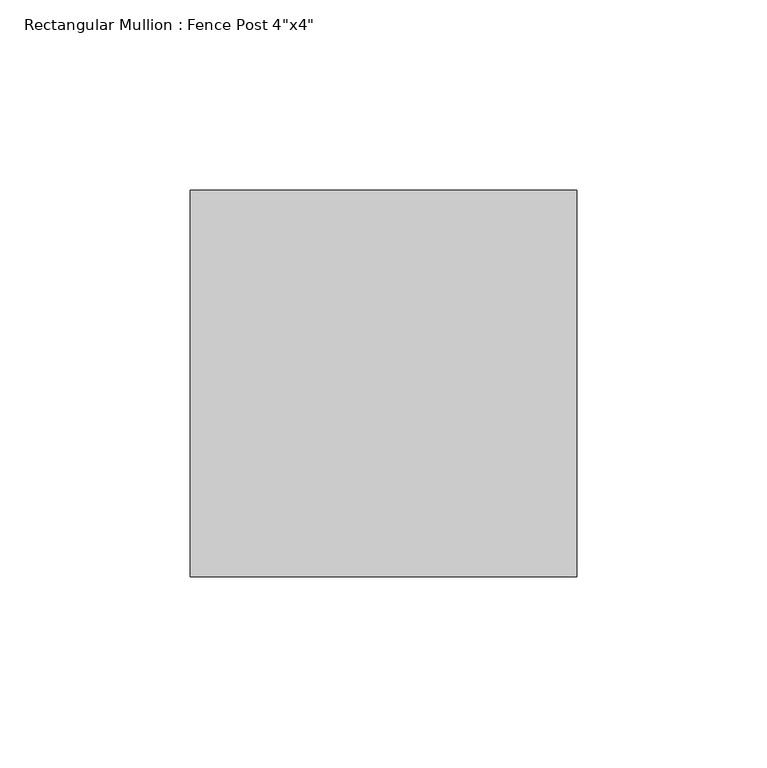
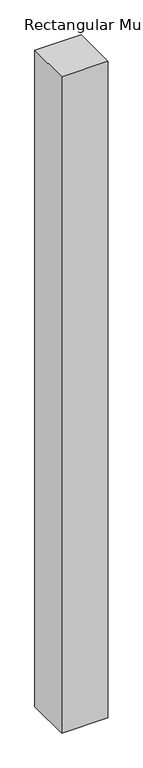
"""IFC4 building model written with IfcOpenShell, lengths in millimetres: member geometry."""

import ifcopenshell
import ifcopenshell.guid

model = None  # the IFC model being written
_history = None  # IfcOwnerHistory: only IFC2X3 demands one
_inside = {}  # id of a spatial element -> (the spatial element, [elements in it])
_under = {}  # id of a project, library or spatial element -> (it, [spatial elements below it])
_declared = {}  # id of a project -> (the project, [libraries it declares])
_typed = {}  # id of a type object -> (the type object, [elements of that type])
_made_of = {}  # id of a material, layer set ... -> (it, [elements and type objects made of it])


def new_model(schema):
    """Start an empty IFC model of exactly this schema.

    Asked for "IFC4X3", IfcOpenShell would pick the latest addendum, in which some entities
    have other attributes; the version numbers below select the first issue.
    IFC2X3 requires an IfcOwnerHistory on every rooted entity: one is made here for all.
    """
    global model, _history
    if schema == "IFC4X3":
        model = ifcopenshell.file(schema_version=(4, 3, 0, 0))
    else:
        model = ifcopenshell.file(schema=schema)
    _inside.clear()
    _under.clear()
    _declared.clear()
    _typed.clear()
    _made_of.clear()
    _history = None
    if model.schema == "IFC2X3":
        org = make("IfcOrganization", Name="unknown")
        user = make(
            "IfcPersonAndOrganization",
            ThePerson=make("IfcPerson", FamilyName="unknown"),
            TheOrganization=org,
        )
        app = make(
            "IfcApplication",
            ApplicationDeveloper=org,
            Version="unknown",
            ApplicationFullName="unknown",
            ApplicationIdentifier="unknown",
        )
        _history = make(
            "IfcOwnerHistory",
            OwningUser=user,
            OwningApplication=app,
            ChangeAction="ADDED",
            CreationDate=0,
        )
    return model


def make(cls, **values):
    """One entity of the class cls with the attributes given. An attribute that is None is left unset."""
    return model.create_entity(
        cls, **{name: value for name, value in values.items() if value is not None}
    )


def rooted(cls, **values):
    """An entity with a GlobalId (a new one), such as an element, a storey or a relation."""
    return make(cls, GlobalId=ifcopenshell.guid.new(), OwnerHistory=_history, **values)


def si_unit(unit_type, name, prefix=None):
    """IfcSIUnit, for example si_unit("LENGTHUNIT", "METRE", prefix="MILLI")."""
    return make("IfcSIUnit", UnitType=unit_type, Prefix=prefix, Name=name)


def assignment(units):
    """IfcUnitAssignment: the units of a project."""
    return None if units is None else make("IfcUnitAssignment", Units=units)


def point(xyz):
    """IfcCartesianPoint."""
    return None if xyz is None else make("IfcCartesianPoint", Coordinates=xyz)


def direction(xyz):
    """IfcDirection."""
    return None if xyz is None else make("IfcDirection", DirectionRatios=xyz)


def frame(location, z_axis=None, x_axis=None):
    """IfcAxis2Placement3D, a coordinate frame: its origin and axes. An axis left out is left unset."""
    return make(
        "IfcAxis2Placement3D",
        Location=point(location),
        Axis=direction(z_axis),
        RefDirection=direction(x_axis),
    )


def origin():
    """The frame at (0, 0, 0) with its axes left unset."""
    return frame((0.0, 0.0, 0.0))


def place(relative_to, where):
    """IfcLocalPlacement: puts the frame where relative to a parent placement (None: the world)."""
    return make(
        "IfcLocalPlacement", PlacementRelTo=relative_to, RelativePlacement=where
    )


def context(
    kind, dimensions, precision=None, world=None, true_north=None, identifier=None
):
    """IfcGeometricRepresentationContext, for example the 3D "Model" context."""
    return make(
        "IfcGeometricRepresentationContext",
        ContextIdentifier=identifier,
        ContextType=kind,
        CoordinateSpaceDimension=dimensions,
        Precision=precision,
        WorldCoordinateSystem=world,
        TrueNorth=true_north,
    )


def project(units=None, contexts=None):
    """IfcProject with its units and contexts."""
    return rooted(
        "IfcProject",
        Name="project",
        RepresentationContexts=contexts,
        UnitsInContext=assignment(units),
    )


def spatial(cls, under=None, at=None, **own):
    """A site, building, storey or space (cls), placed at a placement, below another one or the project."""
    s = rooted(cls, ObjectPlacement=at, **own)
    if under is not None:
        _under.setdefault(under.id(), (under, []))[1].append(s)
    return s


def polyline(points):
    """IfcPolyline through the points."""
    return make("IfcPolyline", Points=[point(p) for p in points])


def outline(outer, holes=None, kind="AREA"):
    """IfcArbitraryClosedProfileDef: a profile drawn as a closed curve; with holes, ...WithVoids."""
    if holes is None:
        return make("IfcArbitraryClosedProfileDef", ProfileType=kind, OuterCurve=outer)
    return make(
        "IfcArbitraryProfileDefWithVoids",
        ProfileType=kind,
        OuterCurve=outer,
        InnerCurves=holes,
    )


def extrude(swept, where, along, depth):
    """IfcExtrudedAreaSolid: the profile swept, set in the frame where, extruded along a direction by depth."""
    return make(
        "IfcExtrudedAreaSolid",
        SweptArea=swept,
        Position=where,
        ExtrudedDirection=direction(along),
        Depth=depth,
    )


def shape(context_of_items, identifier, shape_type, items):
    """IfcShapeRepresentation: the items that make up one representation, for example the "Body"."""
    return make(
        "IfcShapeRepresentation",
        ContextOfItems=context_of_items,
        RepresentationIdentifier=identifier,
        RepresentationType=shape_type,
        Items=items,
    )


def source(mapping_origin, context_of_items, identifier, shape_type, items):
    """IfcRepresentationMap: a shape defined once, which mapped items show again and again."""
    return make(
        "IfcRepresentationMap",
        MappingOrigin=mapping_origin,
        MappedRepresentation=shape(context_of_items, identifier, shape_type, items),
    )


def transform(
    local_origin,
    x_axis=None,
    y_axis=None,
    z_axis=None,
    scale=None,
    scale2=None,
    scale3=None,
    uniform=True,
):
    """IfcCartesianTransformationOperator3D, or its non-uniform kind. x_axis, y_axis, z_axis: its Axis1, 2, 3."""
    if uniform:
        return make(
            "IfcCartesianTransformationOperator3D",
            Axis1=direction(x_axis),
            Axis2=direction(y_axis),
            LocalOrigin=point(local_origin),
            Scale=scale,
            Axis3=direction(z_axis),
        )
    return make(
        "IfcCartesianTransformationOperator3DnonUniform",
        Axis1=direction(x_axis),
        Axis2=direction(y_axis),
        LocalOrigin=point(local_origin),
        Scale=scale,
        Axis3=direction(z_axis),
        Scale2=scale2,
        Scale3=scale3,
    )


def mapped(mapping_source, mapping_target):
    """IfcMappedItem: shows the shape of a source again, moved by a transform."""
    return make(
        "IfcMappedItem", MappingSource=mapping_source, MappingTarget=mapping_target
    )


def made_of(thing, what):
    """Note that an element or type object is made of a material, layer set ...; save() writes the relation."""
    if what is not None:
        _made_of.setdefault(what.id(), (what, []))[1].append(thing)
    return thing


def element(
    cls,
    number,
    at=None,
    inside=None,
    cuts=None,
    type_object=None,
    material=None,
    context=None,
    identifier="Body",
    shape_type=None,
    held_by="IfcProductDefinitionShape",
    body=None,
    shapes=None,
    **own,
):
    """One element of the class cls, such as IfcWall. Its Tag is "e" and its number.

    at: its placement. inside: the storey or other place that contains it. cuts: it is an
    opening in that element (IfcRelVoidsElement). A single representation is given by context,
    identifier, shape_type and body (its items); several are given by shapes. held_by: the class
    of the entity that holds the representations. save() writes the other relations.
    """
    e = rooted(cls, Tag="e%d" % number, ObjectPlacement=at, **own)
    if body is not None:
        shapes = [shape(context, identifier, shape_type, body)]
    if shapes is not None:
        e.Representation = make(held_by, Representations=shapes)
    if inside is not None:
        _inside.setdefault(inside.id(), (inside, []))[1].append(e)
    if cuts is not None:
        rooted(
            "IfcRelVoidsElement", RelatingBuildingElement=cuts, RelatedOpeningElement=e
        )
    if type_object is not None:
        _typed.setdefault(type_object.id(), (type_object, []))[1].append(e)
    return made_of(e, material)


def aggregate(whole, parts):
    """IfcRelAggregates: a whole, such as a stair, and the parts it consists of."""
    return rooted("IfcRelAggregates", RelatingObject=whole, RelatedObjects=parts)


def save(model, path):
    """Write the relations noted so far, then the file.

    IfcRelAggregates (storeys below a building ...), IfcRelContainedInSpatialStructure (elements
    in a storey), IfcRelDefinesByType, IfcRelAssociatesMaterial and IfcRelDeclares: one each for
    every whole, place, type object, material and project.
    """
    for whole, parts in _under.values():
        aggregate(whole, parts)
    for where, things in _inside.values():
        rooted(
            "IfcRelContainedInSpatialStructure",
            RelatedElements=things,
            RelatingStructure=where,
        )
    for kind, things in _typed.values():
        rooted("IfcRelDefinesByType", RelatedObjects=things, RelatingType=kind)
    for what, things in _made_of.values():
        rooted("IfcRelAssociatesMaterial", RelatedObjects=things, RelatingMaterial=what)
    for by, libraries in _declared.values():
        rooted("IfcRelDeclares", RelatingContext=by, RelatedDefinitions=libraries)
    model.write(path)


def member_e4e73cfb(model_context):
    return source(origin(), model_context, "Body", "SweptSolid", [
        extrude(outline(polyline([(50.8, 50.8), (50.8, -50.8), (-50.8, -50.8), (-50.8, 50.8), (50.8, 50.8)])), frame((0.0, 0.0, -1524.0), z_axis=(0.0, 0.0, 1.0), x_axis=(1.0, 0.0, 0.0)), (0.0, 0.0, 1.0), 1524.0),
    ])


if __name__ == "__main__":
    model = new_model("IFC4")
    model_context = context("Model", 3, world=origin())
    ifc_project = project(units=[si_unit("LENGTHUNIT", "METRE", prefix="MILLI")], contexts=[model_context])
    site = spatial("IfcSite", under=ifc_project)
    building = spatial("IfcBuilding", under=site)
    placement = place(None, origin())
    member_shape = member_e4e73cfb(model_context)
    element("IfcMember", 1, ObjectType="Rectangular Mullion : Fence Post 4\"x4\"", at=placement, inside=building, context=model_context, shape_type="MappedRepresentation", body=[
        mapped(member_shape, transform((0.0, 0.0, 0.0), x_axis=(1.0, 0.0, 0.0), y_axis=(0.0, 1.0, 0.0), z_axis=(0.0, 0.0, 1.0))),
    ])
    save(model, "model.ifc")
